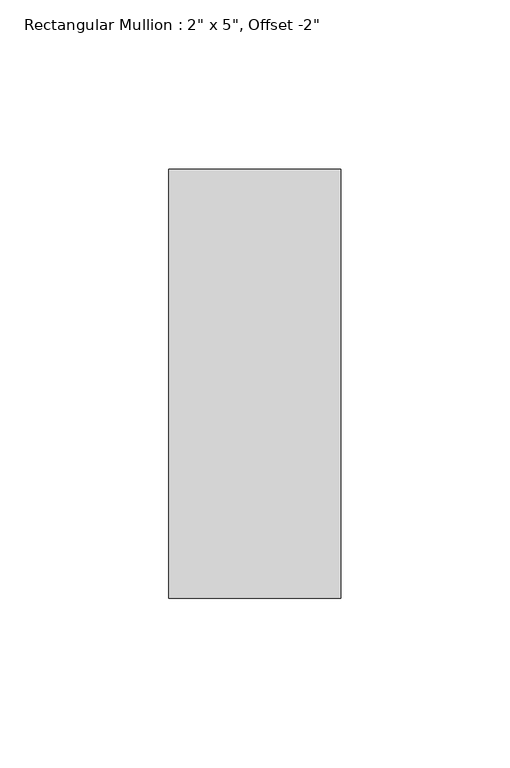
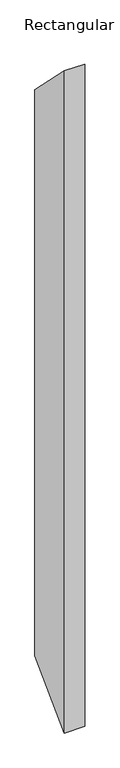
"""IFC4 building model written with IfcOpenShell, lengths in millimetres: member geometry."""

import ifcopenshell
import ifcopenshell.guid

model = None  # the IFC model being written
_history = None  # IfcOwnerHistory: only IFC2X3 demands one
_inside = {}  # id of a spatial element -> (the spatial element, [elements in it])
_under = {}  # id of a project, library or spatial element -> (it, [spatial elements below it])
_declared = {}  # id of a project -> (the project, [libraries it declares])
_typed = {}  # id of a type object -> (the type object, [elements of that type])
_made_of = {}  # id of a material, layer set ... -> (it, [elements and type objects made of it])


def new_model(schema):
    """Start an empty IFC model of exactly this schema.

    Asked for "IFC4X3", IfcOpenShell would pick the latest addendum, in which some entities
    have other attributes; the version numbers below select the first issue.
    IFC2X3 requires an IfcOwnerHistory on every rooted entity: one is made here for all.
    """
    global model, _history
    if schema == "IFC4X3":
        model = ifcopenshell.file(schema_version=(4, 3, 0, 0))
    else:
        model = ifcopenshell.file(schema=schema)
    _inside.clear()
    _under.clear()
    _declared.clear()
    _typed.clear()
    _made_of.clear()
    _history = None
    if model.schema == "IFC2X3":
        org = make("IfcOrganization", Name="unknown")
        user = make(
            "IfcPersonAndOrganization",
            ThePerson=make("IfcPerson", FamilyName="unknown"),
            TheOrganization=org,
        )
        app = make(
            "IfcApplication",
            ApplicationDeveloper=org,
            Version="unknown",
            ApplicationFullName="unknown",
            ApplicationIdentifier="unknown",
        )
        _history = make(
            "IfcOwnerHistory",
            OwningUser=user,
            OwningApplication=app,
            ChangeAction="ADDED",
            CreationDate=0,
        )
    return model


def make(cls, **values):
    """One entity of the class cls with the attributes given. An attribute that is None is left unset."""
    return model.create_entity(
        cls, **{name: value for name, value in values.items() if value is not None}
    )


def rooted(cls, **values):
    """An entity with a GlobalId (a new one), such as an element, a storey or a relation."""
    return make(cls, GlobalId=ifcopenshell.guid.new(), OwnerHistory=_history, **values)


def si_unit(unit_type, name, prefix=None):
    """IfcSIUnit, for example si_unit("LENGTHUNIT", "METRE", prefix="MILLI")."""
    return make("IfcSIUnit", UnitType=unit_type, Prefix=prefix, Name=name)


def assignment(units):
    """IfcUnitAssignment: the units of a project."""
    return None if units is None else make("IfcUnitAssignment", Units=units)


def point(xyz):
    """IfcCartesianPoint."""
    return None if xyz is None else make("IfcCartesianPoint", Coordinates=xyz)


def direction(xyz):
    """IfcDirection."""
    return None if xyz is None else make("IfcDirection", DirectionRatios=xyz)


def frame(location, z_axis=None, x_axis=None):
    """IfcAxis2Placement3D, a coordinate frame: its origin and axes. An axis left out is left unset."""
    return make(
        "IfcAxis2Placement3D",
        Location=point(location),
        Axis=direction(z_axis),
        RefDirection=direction(x_axis),
    )


def origin():
    """The frame at (0, 0, 0) with its axes left unset."""
    return frame((0.0, 0.0, 0.0))


def place(relative_to, where):
    """IfcLocalPlacement: puts the frame where relative to a parent placement (None: the world)."""
    return make(
        "IfcLocalPlacement", PlacementRelTo=relative_to, RelativePlacement=where
    )


def context(
    kind, dimensions, precision=None, world=None, true_north=None, identifier=None
):
    """IfcGeometricRepresentationContext, for example the 3D "Model" context."""
    return make(
        "IfcGeometricRepresentationContext",
        ContextIdentifier=identifier,
        ContextType=kind,
        CoordinateSpaceDimension=dimensions,
        Precision=precision,
        WorldCoordinateSystem=world,
        TrueNorth=true_north,
    )


def project(units=None, contexts=None):
    """IfcProject with its units and contexts."""
    return rooted(
        "IfcProject",
        Name="project",
        RepresentationContexts=contexts,
        UnitsInContext=assignment(units),
    )


def spatial(cls, under=None, at=None, **own):
    """A site, building, storey or space (cls), placed at a placement, below another one or the project."""
    s = rooted(cls, ObjectPlacement=at, **own)
    if under is not None:
        _under.setdefault(under.id(), (under, []))[1].append(s)
    return s


def polyline(points):
    """IfcPolyline through the points."""
    return make("IfcPolyline", Points=[point(p) for p in points])


def outline(outer, holes=None, kind="AREA"):
    """IfcArbitraryClosedProfileDef: a profile drawn as a closed curve; with holes, ...WithVoids."""
    if holes is None:
        return make("IfcArbitraryClosedProfileDef", ProfileType=kind, OuterCurve=outer)
    return make(
        "IfcArbitraryProfileDefWithVoids",
        ProfileType=kind,
        OuterCurve=outer,
        InnerCurves=holes,
    )


def extrude(swept, where, along, depth):
    """IfcExtrudedAreaSolid: the profile swept, set in the frame where, extruded along a direction by depth."""
    return make(
        "IfcExtrudedAreaSolid",
        SweptArea=swept,
        Position=where,
        ExtrudedDirection=direction(along),
        Depth=depth,
    )


def shape(context_of_items, identifier, shape_type, items):
    """IfcShapeRepresentation: the items that make up one representation, for example the "Body"."""
    return make(
        "IfcShapeRepresentation",
        ContextOfItems=context_of_items,
        RepresentationIdentifier=identifier,
        RepresentationType=shape_type,
        Items=items,
    )


def source(mapping_origin, context_of_items, identifier, shape_type, items):
    """IfcRepresentationMap: a shape defined once, which mapped items show again and again."""
    return make(
        "IfcRepresentationMap",
        MappingOrigin=mapping_origin,
        MappedRepresentation=shape(context_of_items, identifier, shape_type, items),
    )


def transform(
    local_origin,
    x_axis=None,
    y_axis=None,
    z_axis=None,
    scale=None,
    scale2=None,
    scale3=None,
    uniform=True,
):
    """IfcCartesianTransformationOperator3D, or its non-uniform kind. x_axis, y_axis, z_axis: its Axis1, 2, 3."""
    if uniform:
        return make(
            "IfcCartesianTransformationOperator3D",
            Axis1=direction(x_axis),
            Axis2=direction(y_axis),
            LocalOrigin=point(local_origin),
            Scale=scale,
            Axis3=direction(z_axis),
        )
    return make(
        "IfcCartesianTransformationOperator3DnonUniform",
        Axis1=direction(x_axis),
        Axis2=direction(y_axis),
        LocalOrigin=point(local_origin),
        Scale=scale,
        Axis3=direction(z_axis),
        Scale2=scale2,
        Scale3=scale3,
    )


def mapped(mapping_source, mapping_target):
    """IfcMappedItem: shows the shape of a source again, moved by a transform."""
    return make(
        "IfcMappedItem", MappingSource=mapping_source, MappingTarget=mapping_target
    )


def made_of(thing, what):
    """Note that an element or type object is made of a material, layer set ...; save() writes the relation."""
    if what is not None:
        _made_of.setdefault(what.id(), (what, []))[1].append(thing)
    return thing


def element(
    cls,
    number,
    at=None,
    inside=None,
    cuts=None,
    type_object=None,
    material=None,
    context=None,
    identifier="Body",
    shape_type=None,
    held_by="IfcProductDefinitionShape",
    body=None,
    shapes=None,
    **own,
):
    """One element of the class cls, such as IfcWall. Its Tag is "e" and its number.

    at: its placement. inside: the storey or other place that contains it. cuts: it is an
    opening in that element (IfcRelVoidsElement). A single representation is given by context,
    identifier, shape_type and body (its items); several are given by shapes. held_by: the class
    of the entity that holds the representations. save() writes the other relations.
    """
    e = rooted(cls, Tag="e%d" % number, ObjectPlacement=at, **own)
    if body is not None:
        shapes = [shape(context, identifier, shape_type, body)]
    if shapes is not None:
        e.Representation = make(held_by, Representations=shapes)
    if inside is not None:
        _inside.setdefault(inside.id(), (inside, []))[1].append(e)
    if cuts is not None:
        rooted(
            "IfcRelVoidsElement", RelatingBuildingElement=cuts, RelatedOpeningElement=e
        )
    if type_object is not None:
        _typed.setdefault(type_object.id(), (type_object, []))[1].append(e)
    return made_of(e, material)


def aggregate(whole, parts):
    """IfcRelAggregates: a whole, such as a stair, and the parts it consists of."""
    return rooted("IfcRelAggregates", RelatingObject=whole, RelatedObjects=parts)


def save(model, path):
    """Write the relations noted so far, then the file.

    IfcRelAggregates (storeys below a building ...), IfcRelContainedInSpatialStructure (elements
    in a storey), IfcRelDefinesByType, IfcRelAssociatesMaterial and IfcRelDeclares: one each for
    every whole, place, type object, material and project.
    """
    for whole, parts in _under.values():
        aggregate(whole, parts)
    for where, things in _inside.values():
        rooted(
            "IfcRelContainedInSpatialStructure",
            RelatedElements=things,
            RelatingStructure=where,
        )
    for kind, things in _typed.values():
        rooted("IfcRelDefinesByType", RelatedObjects=things, RelatingType=kind)
    for what, things in _made_of.values():
        rooted("IfcRelAssociatesMaterial", RelatedObjects=things, RelatingMaterial=what)
    for by, libraries in _declared.values():
        rooted("IfcRelDeclares", RelatingContext=by, RelatedDefinitions=libraries)
    model.write(path)


def member_ea6480af(model_context):
    return source(origin(), model_context, "Body", "SweptSolid", [
        extrude(outline(polyline([(-12.7, 12.7), (114.3, -114.3), (114.3, -1602.4040773), (-12.7, -1729.4040773), (-12.7, 12.7)])), frame((-50.8, 0.0, 0.0), z_axis=(1.0, 0.0, 0.0), x_axis=(0.0, 1.0, 0.0)), (0.0, 0.0, 1.0), 50.8),
    ])


if __name__ == "__main__":
    model = new_model("IFC4")
    model_context = context("Model", 3, world=origin())
    ifc_project = project(units=[si_unit("LENGTHUNIT", "METRE", prefix="MILLI")], contexts=[model_context])
    site = spatial("IfcSite", under=ifc_project)
    building = spatial("IfcBuilding", under=site)
    placement = place(None, origin())
    member_shape = member_ea6480af(model_context)
    element("IfcMember", 1, ObjectType="Rectangular Mullion : 2\" x 5\", Offset -2\"", at=placement, inside=building, context=model_context, shape_type="MappedRepresentation", body=[
        mapped(member_shape, transform((0.0, 0.0, 0.0), x_axis=(1.0, 0.0, 0.0), y_axis=(0.0, 1.0, 0.0), z_axis=(0.0, 0.0, 1.0))),
    ])
    save(model, "model.ifc")
